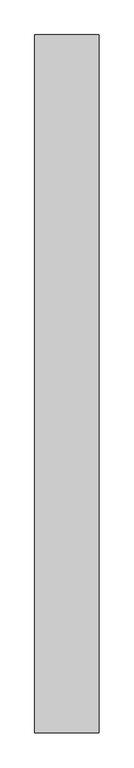
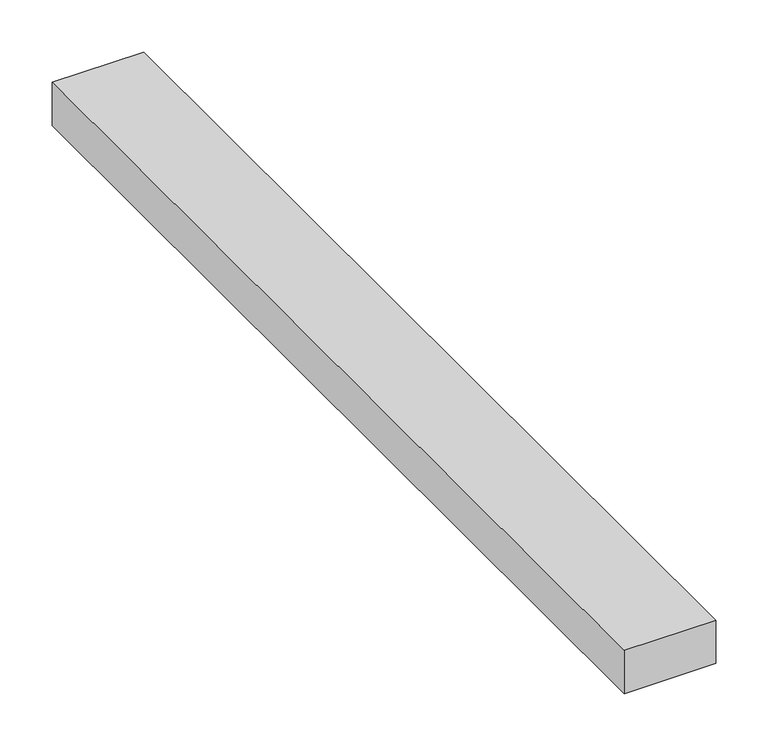
"""IFC4 building model written with IfcOpenShell, lengths in millimetres: proxy geometry."""

from ifc_helpers import new_model, si_unit, origin, origin_with_axes, place, context, project, spatial, polyline, outline, extrude, source, transform, mapped, element, save


def generic_models_19d6ea9a(model_context):
    return source(origin(), model_context, "Body", "SweptSolid", [
        extrude(outline(polyline([(101.6, 0.0), (0.0, 0.0), (0.0, 1100.0), (101.6, 1100.0), (101.6, 0.0)])), origin_with_axes(), (0.0, 0.0, 1.0), 50.8),
    ])


if __name__ == "__main__":
    model = new_model("IFC4")
    model_context = context("Model", 3, world=origin())
    ifc_project = project(units=[si_unit("LENGTHUNIT", "METRE", prefix="MILLI")], contexts=[model_context])
    site = spatial("IfcSite", under=ifc_project)
    building = spatial("IfcBuilding", under=site)
    placement = place(None, origin())
    generic_models_shape = generic_models_19d6ea9a(model_context)
    element("IfcBuildingElementProxy", 1, Name="Generic Models", at=placement, inside=building, context=model_context, shape_type="MappedRepresentation", body=[
        mapped(generic_models_shape, transform((0.0, 0.0, 0.0), x_axis=(1.0, 0.0, 0.0), y_axis=(0.0, 1.0, 0.0), z_axis=(0.0, 0.0, 1.0))),
    ])
    save(model, "model.ifc")
